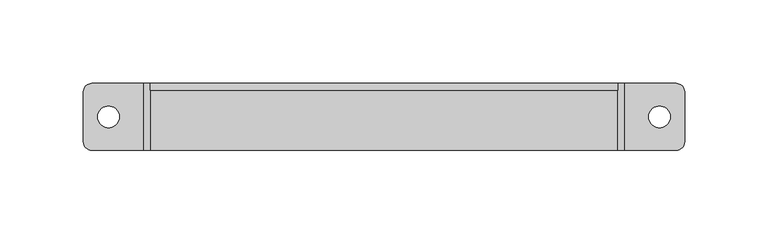
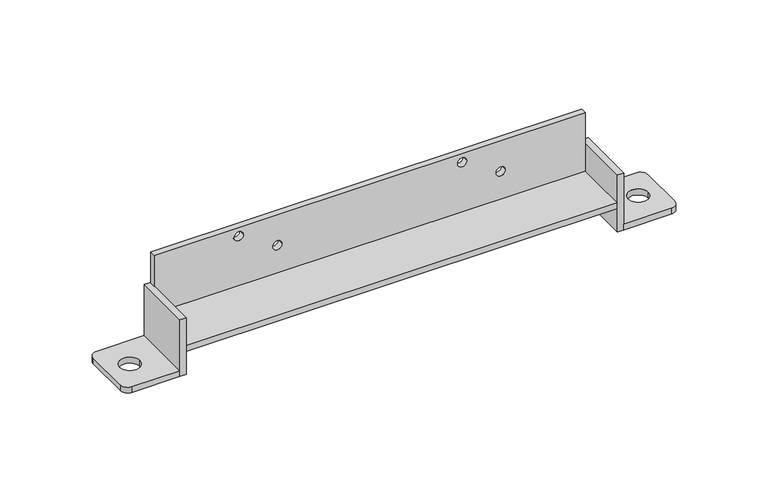
"""IFC4 building model written with IfcOpenShell, lengths in millimetres: proxy geometry."""

from ifc_helpers import new_model, si_unit, point, frame, frame_2d, origin, origin_with_axes, place, context, project, spatial, polyline, circle_curve, trimmed, segment, composite_curve, outline, extrude, source, transform, mapped, element, save


def specialty_equipment_aa1050c6(model_context):
    return source(origin(), model_context, "Body", "SweptSolid", [
        extrude(outline(polyline([(60.0, 140.0), (60.0, -140.0), (20.0, -140.0), (20.0, 140.0), (60.0, 140.0)]), holes=[composite_curve([segment(trimmed(circle_curve(frame_2d((54.0, -85.0)), 3.0), [point((54.0, -82.0))], [point((54.0, -88.0))], True, "CARTESIAN"), True, "CONTINUOUS"), segment(trimmed(circle_curve(frame_2d((54.0, -85.0)), 3.0), [point((54.0, -88.0))], [point((54.0, -82.0))], True, "CARTESIAN"), True, "CONTINUOUS")], self_intersect=False), composite_curve([segment(trimmed(circle_curve(frame_2d((39.0, -60.0)), 3.0), [point((39.0, -57.0))], [point((39.0, -63.0))], True, "CARTESIAN"), True, "CONTINUOUS"), segment(trimmed(circle_curve(frame_2d((39.0, -60.0)), 3.0), [point((39.0, -63.0))], [point((39.0, -57.0))], True, "CARTESIAN"), True, "CONTINUOUS")], self_intersect=False), composite_curve([segment(trimmed(circle_curve(frame_2d((54.0, 60.0)), 3.0), [point((54.0, 63.0))], [point((54.0, 57.0))], True, "CARTESIAN"), True, "CONTINUOUS"), segment(trimmed(circle_curve(frame_2d((54.0, 60.0)), 3.0), [point((54.0, 57.0))], [point((54.0, 63.0))], True, "CARTESIAN"), True, "CONTINUOUS")], self_intersect=False), composite_curve([segment(trimmed(circle_curve(frame_2d((39.0, 85.0)), 3.0), [point((39.0, 88.0))], [point((39.0, 82.0))], True, "CARTESIAN"), True, "CONTINUOUS"), segment(trimmed(circle_curve(frame_2d((39.0, 85.0)), 3.0), [point((39.0, 82.0))], [point((39.0, 88.0))], True, "CARTESIAN"), True, "CONTINUOUS")], self_intersect=False)]), frame((0.0, 16.0, 0.0), z_axis=(0.0, 1.0, 0.0), x_axis=(0.0, 0.0, 1.0)), (0.0, 0.0, 1.0), 4.0),
        extrude(outline(composite_curve([segment(polyline([(144.0, 20.0), (175.0, 20.0)]), True, "CONTINUOUS"), segment(trimmed(circle_curve(frame_2d((175.0, 15.0)), 5.0), [point((175.0, 20.0))], [point((180.0, 15.0))], False, "CARTESIAN"), True, "CONTINUOUS"), segment(polyline([(180.0, 15.0), (180.0, -15.0)]), True, "CONTINUOUS"), segment(trimmed(circle_curve(frame_2d((175.0, -15.0)), 5.0), [point((180.0, -15.0))], [point((175.0, -20.0))], False, "CARTESIAN"), True, "CONTINUOUS"), segment(polyline([(175.0, -20.0), (144.0, -20.0), (144.0, 20.0)]), True, "CONTINUOUS")], self_intersect=False), holes=[composite_curve([segment(trimmed(circle_curve(frame_2d((165.0, 0.0)), 6.5), [point((158.5, 0.0))], [point((171.5, 0.0))], True, "CARTESIAN"), True, "CONTINUOUS"), segment(trimmed(circle_curve(frame_2d((165.0, 0.0)), 6.5), [point((171.5, 0.0))], [point((158.5, 0.0))], True, "CARTESIAN"), True, "CONTINUOUS")], self_intersect=False)]), origin_with_axes(), (0.0, 0.0, 1.0), 4.0),
        extrude(outline(polyline([(144.0, -20.0), (140.0, -20.0), (140.0, 20.0), (144.0, 20.0), (144.0, -20.0)])), origin_with_axes(), (0.0, 0.0, 1.0), 39.0),
        extrude(outline(polyline([(-140.0, -20.0), (-144.0, -20.0), (-144.0, 20.0), (-140.0, 20.0), (-140.0, -20.0)])), origin_with_axes(), (0.0, 0.0, 1.0), 39.0),
        extrude(outline(composite_curve([segment(polyline([(-144.0, 20.0), (-144.0, -20.0), (-175.0, -20.0)]), True, "CONTINUOUS"), segment(trimmed(circle_curve(frame_2d((-175.0, -15.0)), 5.0), [point((-175.0, -20.0))], [point((-180.0, -15.0))], False, "CARTESIAN"), True, "CONTINUOUS"), segment(polyline([(-180.0, -15.0), (-180.0, 15.0)]), True, "CONTINUOUS"), segment(trimmed(circle_curve(frame_2d((-175.0, 15.0)), 5.0), [point((-180.0, 15.0))], [point((-175.0, 20.0))], False, "CARTESIAN"), True, "CONTINUOUS"), segment(polyline([(-175.0, 20.0), (-144.0, 20.0)]), True, "CONTINUOUS")], self_intersect=False), holes=[composite_curve([segment(trimmed(circle_curve(frame_2d((-165.0, 0.0)), 6.5), [point((-171.5, 0.0))], [point((-158.5, 0.0))], True, "CARTESIAN"), True, "CONTINUOUS"), segment(trimmed(circle_curve(frame_2d((-165.0, 0.0)), 6.5), [point((-158.5, 0.0))], [point((-171.5, 0.0))], True, "CARTESIAN"), True, "CONTINUOUS")], self_intersect=False)]), origin_with_axes(), (0.0, 0.0, 1.0), 4.0),
        extrude(outline(polyline([(140.0, 20.0), (140.0, -20.0), (-140.0, -20.0), (-140.0, 20.0), (140.0, 20.0)])), frame((0.0, 0.0, 16.0), z_axis=(0.0, 0.0, 1.0), x_axis=(1.0, 0.0, 0.0)), (0.0, 0.0, 1.0), 4.0),
    ])


if __name__ == "__main__":
    model = new_model("IFC4")
    model_context = context("Model", 3, world=origin())
    ifc_project = project(units=[si_unit("LENGTHUNIT", "METRE", prefix="MILLI")], contexts=[model_context])
    site = spatial("IfcSite", under=ifc_project)
    building = spatial("IfcBuilding", under=site)
    placement = place(None, origin())
    specialty_equipment_shape = specialty_equipment_aa1050c6(model_context)
    element("IfcBuildingElementProxy", 1, Name="Specialty Equipment", at=placement, inside=building, context=model_context, shape_type="MappedRepresentation", body=[
        mapped(specialty_equipment_shape, transform((0.0, 0.0, 0.0), x_axis=(1.0, 0.0, 0.0), y_axis=(0.0, 1.0, 0.0), z_axis=(0.0, 0.0, 1.0))),
    ])
    save(model, "model.ifc")
